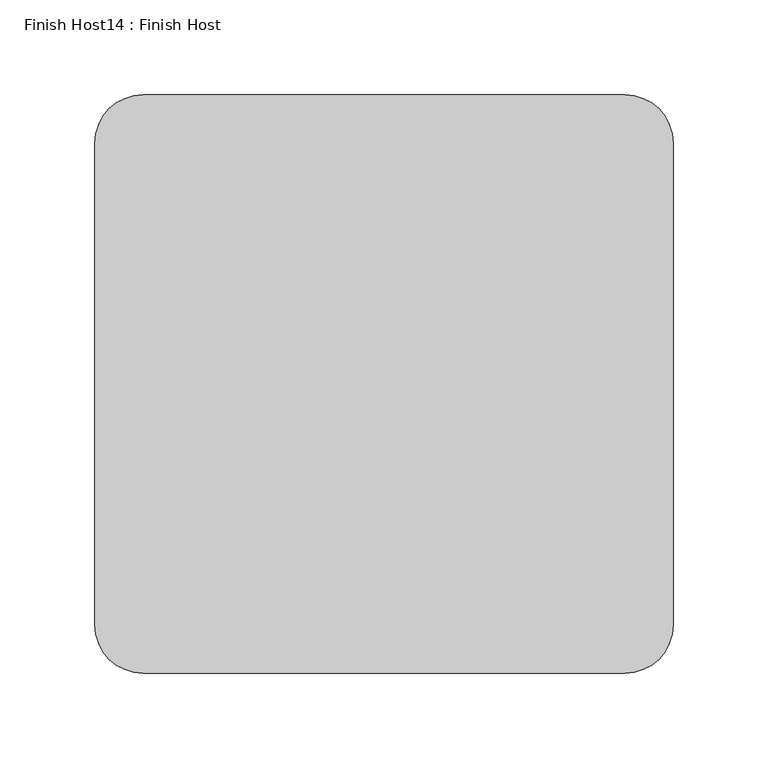
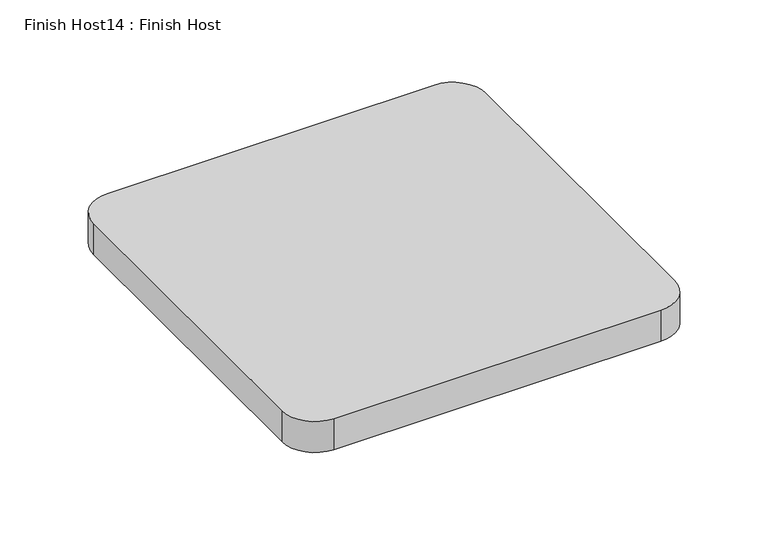
"""IFC4 building model written with IfcOpenShell, lengths in millimetres: proxy geometry, Finish Host14 : Finish Host."""

from ifc_helpers import new_model, si_unit, point, frame_2d, origin, origin_with_axes, place, context, project, spatial, polyline, circle_curve, trimmed, segment, composite_curve, outline, extrude, source, transform, mapped, element, save


def finish_host14_finish_host_031a5872(model_context):
    return source(origin(), model_context, "Body", "SweptSolid", [
        extrude(outline(composite_curve([segment(polyline([(7286.7478493, 1206.8122951), (7286.7478493, 1460.8122951)]), True, "CONTINUOUS"), segment(trimmed(circle_curve(frame_2d((7312.1478493, 1460.8122951)), 25.4), [point((7286.7478493, 1460.8122951))], [point((7312.1478493, 1486.2122951))], False, "CARTESIAN"), True, "CONTINUOUS"), segment(polyline([(7312.1478493, 1486.2122951), (7566.1478493, 1486.2122951)]), True, "CONTINUOUS"), segment(trimmed(circle_curve(frame_2d((7566.1478493, 1460.8122951)), 25.4), [point((7566.1478493, 1486.2122951))], [point((7591.5478493, 1460.8122951))], False, "CARTESIAN"), True, "CONTINUOUS"), segment(polyline([(7591.5478493, 1460.8122951), (7591.5478493, 1206.8122951)]), True, "CONTINUOUS"), segment(trimmed(circle_curve(frame_2d((7566.1478493, 1206.8122951)), 25.4), [point((7591.5478493, 1206.8122951))], [point((7566.1478493, 1181.4122951))], False, "CARTESIAN"), True, "CONTINUOUS"), segment(polyline([(7566.1478493, 1181.4122951), (7312.1478493, 1181.4122951)]), True, "CONTINUOUS"), segment(trimmed(circle_curve(frame_2d((7312.1478493, 1206.8122951)), 25.4), [point((7312.1478493, 1181.4122951))], [point((7286.7478493, 1206.8122951))], False, "CARTESIAN"), True, "CONTINUOUS")], self_intersect=False)), origin_with_axes(), (0.0, 0.0, 1.0), 25.4),
    ])


if __name__ == "__main__":
    model = new_model("IFC4")
    model_context = context("Model", 3, world=origin())
    ifc_project = project(units=[si_unit("LENGTHUNIT", "METRE", prefix="MILLI")], contexts=[model_context])
    site = spatial("IfcSite", under=ifc_project)
    building = spatial("IfcBuilding", under=site)
    placement = place(None, origin())
    finish_host14_finish_host_shape = finish_host14_finish_host_031a5872(model_context)
    element("IfcBuildingElementProxy", 1, Name="Finish Host14 : Finish Host", ObjectType="Finish Host14 : Finish Host", at=placement, inside=building, context=model_context, shape_type="MappedRepresentation", body=[
        mapped(finish_host14_finish_host_shape, transform((0.0, 0.0, 0.0), x_axis=(1.0, 0.0, 0.0), y_axis=(0.0, 1.0, 0.0), z_axis=(0.0, 0.0, 1.0))),
    ])
    save(model, "model.ifc")
